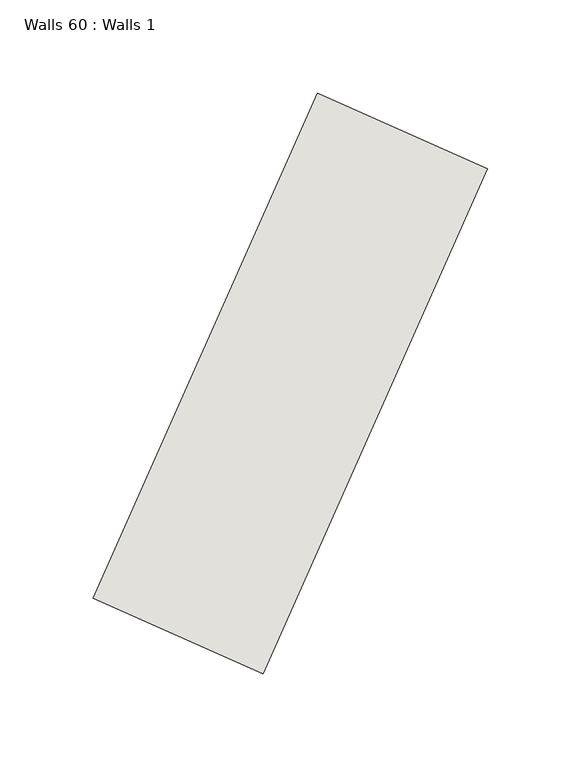
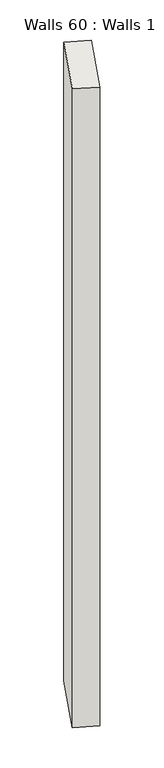
"""IFC4 building model written with IfcOpenShell, lengths in millimetres: wall geometry, Walls 60 : Walls 1."""

import ifcopenshell
import ifcopenshell.guid

model = None  # the IFC model being written
_history = None  # IfcOwnerHistory: only IFC2X3 demands one
_inside = {}  # id of a spatial element -> (the spatial element, [elements in it])
_under = {}  # id of a project, library or spatial element -> (it, [spatial elements below it])
_declared = {}  # id of a project -> (the project, [libraries it declares])
_typed = {}  # id of a type object -> (the type object, [elements of that type])
_made_of = {}  # id of a material, layer set ... -> (it, [elements and type objects made of it])


def new_model(schema):
    """Start an empty IFC model of exactly this schema.

    Asked for "IFC4X3", IfcOpenShell would pick the latest addendum, in which some entities
    have other attributes; the version numbers below select the first issue.
    IFC2X3 requires an IfcOwnerHistory on every rooted entity: one is made here for all.
    """
    global model, _history
    if schema == "IFC4X3":
        model = ifcopenshell.file(schema_version=(4, 3, 0, 0))
    else:
        model = ifcopenshell.file(schema=schema)
    _inside.clear()
    _under.clear()
    _declared.clear()
    _typed.clear()
    _made_of.clear()
    _history = None
    if model.schema == "IFC2X3":
        org = make("IfcOrganization", Name="unknown")
        user = make(
            "IfcPersonAndOrganization",
            ThePerson=make("IfcPerson", FamilyName="unknown"),
            TheOrganization=org,
        )
        app = make(
            "IfcApplication",
            ApplicationDeveloper=org,
            Version="unknown",
            ApplicationFullName="unknown",
            ApplicationIdentifier="unknown",
        )
        _history = make(
            "IfcOwnerHistory",
            OwningUser=user,
            OwningApplication=app,
            ChangeAction="ADDED",
            CreationDate=0,
        )
    return model


def make(cls, **values):
    """One entity of the class cls with the attributes given. An attribute that is None is left unset."""
    return model.create_entity(
        cls, **{name: value for name, value in values.items() if value is not None}
    )


def rooted(cls, **values):
    """An entity with a GlobalId (a new one), such as an element, a storey or a relation."""
    return make(cls, GlobalId=ifcopenshell.guid.new(), OwnerHistory=_history, **values)


def si_unit(unit_type, name, prefix=None):
    """IfcSIUnit, for example si_unit("LENGTHUNIT", "METRE", prefix="MILLI")."""
    return make("IfcSIUnit", UnitType=unit_type, Prefix=prefix, Name=name)


def assignment(units):
    """IfcUnitAssignment: the units of a project."""
    return None if units is None else make("IfcUnitAssignment", Units=units)


def point(xyz):
    """IfcCartesianPoint."""
    return None if xyz is None else make("IfcCartesianPoint", Coordinates=xyz)


def direction(xyz):
    """IfcDirection."""
    return None if xyz is None else make("IfcDirection", DirectionRatios=xyz)


def frame(location, z_axis=None, x_axis=None):
    """IfcAxis2Placement3D, a coordinate frame: its origin and axes. An axis left out is left unset."""
    return make(
        "IfcAxis2Placement3D",
        Location=point(location),
        Axis=direction(z_axis),
        RefDirection=direction(x_axis),
    )


def origin():
    """The frame at (0, 0, 0) with its axes left unset."""
    return frame((0.0, 0.0, 0.0))


def origin_with_axes():
    """The frame at (0, 0, 0) with the z axis (0, 0, 1) and the x axis (1, 0, 0) written out."""
    return frame((0.0, 0.0, 0.0), z_axis=(0.0, 0.0, 1.0), x_axis=(1.0, 0.0, 0.0))


def place(relative_to, where):
    """IfcLocalPlacement: puts the frame where relative to a parent placement (None: the world)."""
    return make(
        "IfcLocalPlacement", PlacementRelTo=relative_to, RelativePlacement=where
    )


def context(
    kind, dimensions, precision=None, world=None, true_north=None, identifier=None
):
    """IfcGeometricRepresentationContext, for example the 3D "Model" context."""
    return make(
        "IfcGeometricRepresentationContext",
        ContextIdentifier=identifier,
        ContextType=kind,
        CoordinateSpaceDimension=dimensions,
        Precision=precision,
        WorldCoordinateSystem=world,
        TrueNorth=true_north,
    )


def project(units=None, contexts=None):
    """IfcProject with its units and contexts."""
    return rooted(
        "IfcProject",
        Name="project",
        RepresentationContexts=contexts,
        UnitsInContext=assignment(units),
    )


def spatial(cls, under=None, at=None, **own):
    """A site, building, storey or space (cls), placed at a placement, below another one or the project."""
    s = rooted(cls, ObjectPlacement=at, **own)
    if under is not None:
        _under.setdefault(under.id(), (under, []))[1].append(s)
    return s


def polyline(points):
    """IfcPolyline through the points."""
    return make("IfcPolyline", Points=[point(p) for p in points])


def outline(outer, holes=None, kind="AREA"):
    """IfcArbitraryClosedProfileDef: a profile drawn as a closed curve; with holes, ...WithVoids."""
    if holes is None:
        return make("IfcArbitraryClosedProfileDef", ProfileType=kind, OuterCurve=outer)
    return make(
        "IfcArbitraryProfileDefWithVoids",
        ProfileType=kind,
        OuterCurve=outer,
        InnerCurves=holes,
    )


def extrude(swept, where, along, depth):
    """IfcExtrudedAreaSolid: the profile swept, set in the frame where, extruded along a direction by depth."""
    return make(
        "IfcExtrudedAreaSolid",
        SweptArea=swept,
        Position=where,
        ExtrudedDirection=direction(along),
        Depth=depth,
    )


def shape(context_of_items, identifier, shape_type, items):
    """IfcShapeRepresentation: the items that make up one representation, for example the "Body"."""
    return make(
        "IfcShapeRepresentation",
        ContextOfItems=context_of_items,
        RepresentationIdentifier=identifier,
        RepresentationType=shape_type,
        Items=items,
    )


def source(mapping_origin, context_of_items, identifier, shape_type, items):
    """IfcRepresentationMap: a shape defined once, which mapped items show again and again."""
    return make(
        "IfcRepresentationMap",
        MappingOrigin=mapping_origin,
        MappedRepresentation=shape(context_of_items, identifier, shape_type, items),
    )


def transform(
    local_origin,
    x_axis=None,
    y_axis=None,
    z_axis=None,
    scale=None,
    scale2=None,
    scale3=None,
    uniform=True,
):
    """IfcCartesianTransformationOperator3D, or its non-uniform kind. x_axis, y_axis, z_axis: its Axis1, 2, 3."""
    if uniform:
        return make(
            "IfcCartesianTransformationOperator3D",
            Axis1=direction(x_axis),
            Axis2=direction(y_axis),
            LocalOrigin=point(local_origin),
            Scale=scale,
            Axis3=direction(z_axis),
        )
    return make(
        "IfcCartesianTransformationOperator3DnonUniform",
        Axis1=direction(x_axis),
        Axis2=direction(y_axis),
        LocalOrigin=point(local_origin),
        Scale=scale,
        Axis3=direction(z_axis),
        Scale2=scale2,
        Scale3=scale3,
    )


def mapped(mapping_source, mapping_target):
    """IfcMappedItem: shows the shape of a source again, moved by a transform."""
    return make(
        "IfcMappedItem", MappingSource=mapping_source, MappingTarget=mapping_target
    )


def made_of(thing, what):
    """Note that an element or type object is made of a material, layer set ...; save() writes the relation."""
    if what is not None:
        _made_of.setdefault(what.id(), (what, []))[1].append(thing)
    return thing


def element(
    cls,
    number,
    at=None,
    inside=None,
    cuts=None,
    type_object=None,
    material=None,
    context=None,
    identifier="Body",
    shape_type=None,
    held_by="IfcProductDefinitionShape",
    body=None,
    shapes=None,
    **own,
):
    """One element of the class cls, such as IfcWall. Its Tag is "e" and its number.

    at: its placement. inside: the storey or other place that contains it. cuts: it is an
    opening in that element (IfcRelVoidsElement). A single representation is given by context,
    identifier, shape_type and body (its items); several are given by shapes. held_by: the class
    of the entity that holds the representations. save() writes the other relations.
    """
    e = rooted(cls, Tag="e%d" % number, ObjectPlacement=at, **own)
    if body is not None:
        shapes = [shape(context, identifier, shape_type, body)]
    if shapes is not None:
        e.Representation = make(held_by, Representations=shapes)
    if inside is not None:
        _inside.setdefault(inside.id(), (inside, []))[1].append(e)
    if cuts is not None:
        rooted(
            "IfcRelVoidsElement", RelatingBuildingElement=cuts, RelatedOpeningElement=e
        )
    if type_object is not None:
        _typed.setdefault(type_object.id(), (type_object, []))[1].append(e)
    return made_of(e, material)


def aggregate(whole, parts):
    """IfcRelAggregates: a whole, such as a stair, and the parts it consists of."""
    return rooted("IfcRelAggregates", RelatingObject=whole, RelatedObjects=parts)


def save(model, path):
    """Write the relations noted so far, then the file.

    IfcRelAggregates (storeys below a building ...), IfcRelContainedInSpatialStructure (elements
    in a storey), IfcRelDefinesByType, IfcRelAssociatesMaterial and IfcRelDeclares: one each for
    every whole, place, type object, material and project.
    """
    for whole, parts in _under.values():
        aggregate(whole, parts)
    for where, things in _inside.values():
        rooted(
            "IfcRelContainedInSpatialStructure",
            RelatedElements=things,
            RelatingStructure=where,
        )
    for kind, things in _typed.values():
        rooted("IfcRelDefinesByType", RelatedObjects=things, RelatingType=kind)
    for what, things in _made_of.values():
        rooted("IfcRelAssociatesMaterial", RelatedObjects=things, RelatingMaterial=what)
    for by, libraries in _declared.values():
        rooted("IfcRelDeclares", RelatingContext=by, RelatedDefinitions=libraries)
    model.write(path)


def walls_60_walls_1_117973d9(model_context):
    return source(origin(), model_context, "Body", "SweptSolid", [
        extrude(outline(polyline([(7884.476258, 893.8332503), (8004.9760568, 1164.9932377), (8096.3591817, 1124.3838238), (7975.8593828, 853.2238364), (7884.476258, 893.8332503)])), origin_with_axes(), (0.0, 0.0, 1.0), 2820.4495083),
    ])


if __name__ == "__main__":
    model = new_model("IFC4")
    model_context = context("Model", 3, world=origin())
    ifc_project = project(units=[si_unit("LENGTHUNIT", "METRE", prefix="MILLI")], contexts=[model_context])
    site = spatial("IfcSite", under=ifc_project)
    building = spatial("IfcBuilding", under=site)
    placement = place(None, origin())
    walls_60_walls_1_shape = walls_60_walls_1_117973d9(model_context)
    element("IfcWall", 1, ObjectType="Walls 60 : Walls 1", at=placement, inside=building, context=model_context, shape_type="MappedRepresentation", body=[
        mapped(walls_60_walls_1_shape, transform((0.0, 0.0, 0.0), x_axis=(1.0, 0.0, 0.0), y_axis=(0.0, 1.0, 0.0), z_axis=(0.0, 0.0, 1.0))),
    ])
    save(model, "model.ifc")
